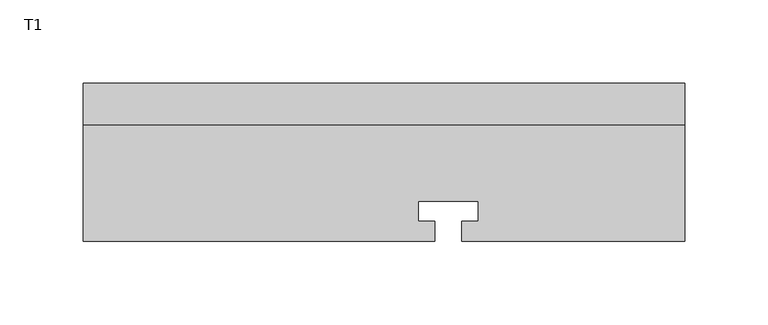
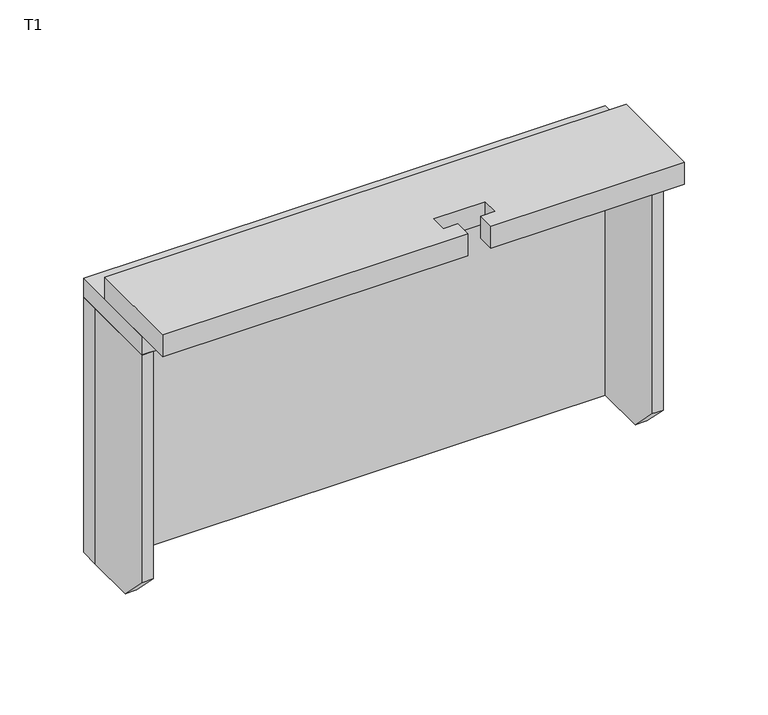
"""IFC4 building model written with IfcOpenShell, lengths in millimetres: proxy geometry, T1."""

from ifc_helpers import new_model, si_unit, frame, origin, origin_with_axes, place, context, project, spatial, polyline, outline, extrude, source, transform, mapped, element, save


def t1_1d627a4d(model_context):
    return source(origin(), model_context, "Body", "SweptSolid", [
        extrude(outline(polyline([(0.0, -94.4994277), (0.0, -24.9999639), (360.0000435, -24.9999639), (360.0000435, -94.4994277), (226.5000219, -94.4994277), (226.5000219, -82.4993113), (236.5000219, -82.4993113), (236.5000219, -70.4993113), (200.5000219, -70.4993113), (200.5000219, -82.4993113), (210.5000219, -82.4993113), (210.5000219, -94.4994277), (0.0, -94.4994277)])), origin_with_axes(), (0.0, 0.0, 1.0), 16.0),
        extrude(outline(polyline([(-13.9999967, -200.0), (-49.4999967, -200.0), (-69.4999967, -180.0), (-69.4999967, -14.0), (-13.9999967, -14.0), (-13.9999967, -200.0)])), frame((352.0000435, 0.0, 0.0), z_axis=(1.0, 0.0, 0.0), x_axis=(0.0, 1.0, 0.0)), (0.0, 0.0, 1.0), 8.0),
        extrude(outline(polyline([(-13.9999967, -200.0), (-49.4999967, -200.0), (-69.4999967, -180.0), (-69.4999967, -14.0), (-13.9999967, -14.0), (-13.9999967, -200.0)])), frame((0.0, 0.0, 0.0), z_axis=(1.0, 0.0, 0.0), x_axis=(0.0, 1.0, 0.0)), (0.0, 0.0, 1.0), 8.0),
        extrude(outline(polyline([(360.0000435, 0.0), (360.0000435, -13.9999967), (0.0, -13.9999967), (0.0, 0.0), (360.0000435, 0.0)])), frame((0.0, 0.0, -200.0), z_axis=(0.0, 0.0, 1.0), x_axis=(1.0, 0.0, 0.0)), (0.0, 0.0, 1.0), 186.0),
        extrude(outline(polyline([(277.5000435, -69.5), (277.5000435, -37.9999984), (82.5, -37.9999984), (82.5, -69.5), (0.0, -69.5), (0.0, 0.0), (360.0000435, 0.0), (360.0000435, -69.5), (277.5000435, -69.5)])), frame((0.0, 0.0, -14.0), z_axis=(0.0, 0.0, 1.0), x_axis=(1.0, 0.0, 0.0)), (0.0, 0.0, 1.0), 14.0),
    ])


if __name__ == "__main__":
    model = new_model("IFC4")
    model_context = context("Model", 3, world=origin())
    ifc_project = project(units=[si_unit("LENGTHUNIT", "METRE", prefix="MILLI")], contexts=[model_context])
    site = spatial("IfcSite", under=ifc_project)
    building = spatial("IfcBuilding", under=site)
    placement = place(None, origin())
    t1_shape = t1_1d627a4d(model_context)
    element("IfcBuildingElementProxy", 1, Name="T1", ObjectType="T1", at=placement, inside=building, context=model_context, shape_type="MappedRepresentation", body=[
        mapped(t1_shape, transform((0.0, 0.0, 0.0), x_axis=(1.0, 0.0, 0.0), y_axis=(0.0, 1.0, 0.0), z_axis=(0.0, 0.0, 1.0))),
    ])
    save(model, "model.ifc")
